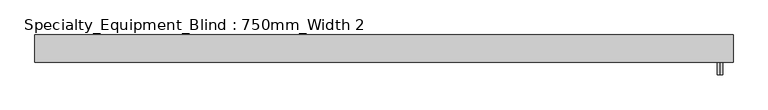
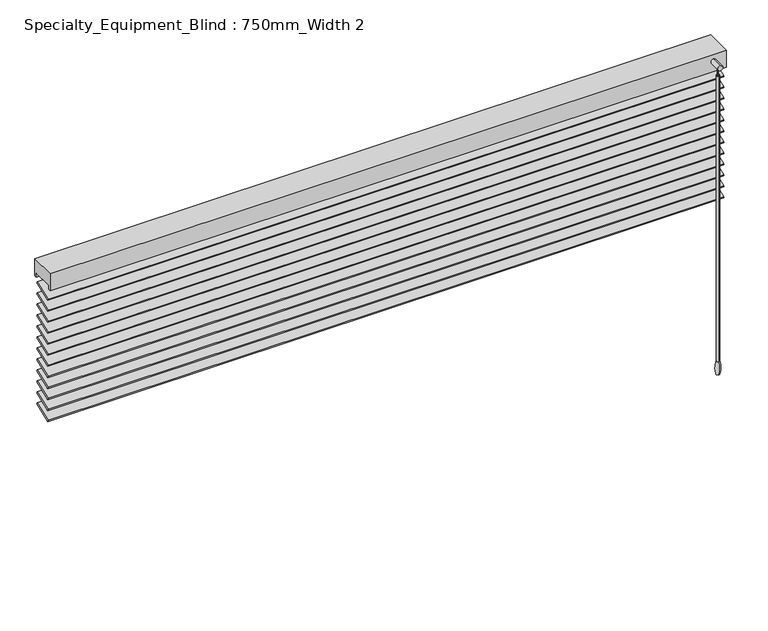
"""IFC4 building model written with IfcOpenShell, lengths in millimetres: proxy geometry, Specialty_Equipment_Blind : 750mm_Width 2."""

from ifc_helpers import new_model, si_unit, point, frame, frame_2d, origin, place, context, project, spatial, polyline, circle_curve, ellipse_curve, trimmed, segment, composite_curve, outline, extrude, source, transform, mapped, element, save
from ifc_brep_helpers import plane_surface, cylinder_surface, revolved_surface, advanced_brep


def specialty_equipment_blind_750mm_width_2_92f931f4(model_context):
    return source(origin(), model_context, "Body", "SolidModel", [
        extrude(outline(polyline([(0.0, -40.0), (0.0, 0.0), (1320.0, 0.0), (1320.0, -40.0), (0.0, -40.0)])), frame((-509.5079376, 65.0532351, 2041.2352891), z_axis=(0.0, -0.3420201433256684, 0.9396926207859085), x_axis=(1.0, 0.0, 0.0)), (0.0, 0.0, 1.0), 3.0625345),
        extrude(outline(polyline([(0.0, -40.0), (0.0, 0.0), (1320.0, 0.0), (1320.0, -40.0), (0.0, -40.0)])), frame((-509.5079376, 65.0532351, 2018.5080164), z_axis=(0.0, -0.3420201433256684, 0.9396926207859085), x_axis=(1.0, 0.0, 0.0)), (0.0, 0.0, 1.0), 3.0625345),
        extrude(outline(polyline([(0.0, -40.0), (0.0, 0.0), (1320.0, 0.0), (1320.0, -40.0), (0.0, -40.0)])), frame((-509.5079376, 65.0532351, 1995.7807436), z_axis=(0.0, -0.3420201433256684, 0.9396926207859085), x_axis=(1.0, 0.0, 0.0)), (0.0, 0.0, 1.0), 3.0625345),
        extrude(outline(polyline([(0.0, -40.0), (0.0, 0.0), (1320.0, 0.0), (1320.0, -40.0), (0.0, -40.0)])), frame((-509.5079376, 65.0532351, 1973.0534709), z_axis=(0.0, -0.3420201433256684, 0.9396926207859085), x_axis=(1.0, 0.0, 0.0)), (0.0, 0.0, 1.0), 3.0625345),
        extrude(outline(polyline([(0.0, -40.0), (0.0, 0.0), (1320.0, 0.0), (1320.0, -40.0), (0.0, -40.0)])), frame((-509.5079376, 65.0532351, 1950.3261982), z_axis=(0.0, -0.3420201433256684, 0.9396926207859085), x_axis=(1.0, 0.0, 0.0)), (0.0, 0.0, 1.0), 3.0625345),
        extrude(outline(polyline([(0.0, -40.0), (0.0, 0.0), (1320.0, 0.0), (1320.0, -40.0), (0.0, -40.0)])), frame((-509.5079376, 65.0532351, 1927.5989254), z_axis=(0.0, -0.3420201433256684, 0.9396926207859085), x_axis=(1.0, 0.0, 0.0)), (0.0, 0.0, 1.0), 3.0625345),
        extrude(outline(polyline([(0.0, -40.0), (0.0, 0.0), (1320.0, 0.0), (1320.0, -40.0), (0.0, -40.0)])), frame((-509.5079376, 65.0532351, 1904.8716527), z_axis=(0.0, -0.3420201433256684, 0.9396926207859085), x_axis=(1.0, 0.0, 0.0)), (0.0, 0.0, 1.0), 3.0625345),
        extrude(outline(polyline([(0.0, -40.0), (0.0, 0.0), (1320.0, 0.0), (1320.0, -40.0), (0.0, -40.0)])), frame((-509.5079376, 65.0532351, 1882.14438), z_axis=(0.0, -0.3420201433256684, 0.9396926207859085), x_axis=(1.0, 0.0, 0.0)), (0.0, 0.0, 1.0), 3.0625345),
        extrude(outline(polyline([(0.0, -40.0), (0.0, 0.0), (1320.0, 0.0), (1320.0, -40.0), (0.0, -40.0)])), frame((-509.5079376, 65.0532351, 1859.4171073), z_axis=(0.0, -0.3420201433256684, 0.9396926207859085), x_axis=(1.0, 0.0, 0.0)), (0.0, 0.0, 1.0), 3.0625345),
        extrude(outline(polyline([(0.0, -40.0), (0.0, 0.0), (1320.0, 0.0), (1320.0, -40.0), (0.0, -40.0)])), frame((-509.5079376, 65.0532351, 1836.6898345), z_axis=(0.0, -0.3420201433256684, 0.9396926207859085), x_axis=(1.0, 0.0, 0.0)), (0.0, 0.0, 1.0), 3.0625345),
        extrude(outline(polyline([(0.0, -40.0), (0.0, 0.0), (1320.0, 0.0), (1320.0, -40.0), (0.0, -40.0)])), frame((-509.5079376, 65.0532351, 2063.9625618), z_axis=(0.0, -0.3420201433256684, 0.9396926207859085), x_axis=(1.0, 0.0, 0.0)), (0.0, 0.0, 1.0), 3.0625345),
        extrude(outline(polyline([(0.0, -40.0), (0.0, 0.0), (1320.0, 0.0), (1320.0, -40.0), (0.0, -40.0)])), frame((-509.5079376, 65.0532351, 1813.9625618), z_axis=(0.0, -0.3420201433256684, 0.9396926207859085), x_axis=(1.0, 0.0, 0.0)), (0.0, 0.0, 1.0), 3.0625345),
        extrude(outline(polyline([(19.329714, 2110.0), (71.0941545, 2110.0), (71.0941545, 2075.0), (66.0941545, 2075.0), (66.0941545, 2083.2448883), (24.329714, 2083.2448883), (24.329714, 2075.0), (19.329714, 2075.0), (19.329714, 2110.0)])), frame((-509.5079376, 0.0, 0.0), z_axis=(1.0, 0.0, 0.0), x_axis=(0.0, 1.0, 0.0)), (0.0, 0.0, 1.0), 1320.0),
        extrude(outline(composite_curve([segment(trimmed(circle_curve(frame_2d((2095.9171213, 785.4920624)), 5.0), [point((2100.9171213, 785.4920624))], [point((2090.9171213, 785.4920624))], False, "CARTESIAN"), True, "CONTINUOUS"), segment(trimmed(circle_curve(frame_2d((2095.9171213, 785.4920624)), 5.0), [point((2090.9171213, 785.4920624))], [point((2100.9171213, 785.4920624))], False, "CARTESIAN"), True, "CONTINUOUS")], self_intersect=False)), frame((0.0, -4.4512463, 0.0), z_axis=(0.0, 1.0, 0.0), x_axis=(0.0, 0.0, 1.0)), (0.0, 0.0, 1.0), 23.7809602),
        advanced_brep(
        [(785.4920624, 4.7248495, 2091.3243671), (785.4920624, 2.7248495, 2091.3243671), (785.4920624, 3.7248495, 2091.3243671), (785.4920624, 4.7248495, 2076.3243671), (785.4920624, 2.7248495, 2076.3243671), (785.4920624, 6.7248495, 2076.3243671), (785.4920624, 0.7248495, 2076.3243671), (785.4920624, 6.7248495, 1486.909931), (785.4920624, 0.7248495, 1486.909931), (785.4920624, 7.2513368, 1460.0), (785.4920624, 0.1983622, 1460.0), (785.4920624, 3.7248495, 1460.0)],
        [
            (0, 1, circle_curve(frame((785.4920624, 3.7248495, 2091.3243671), z_axis=(0.0, 0.0, 1.0), x_axis=(0.0, -1.0, 0.0)), 1.0)),
            (1, 2),
            (2, 0),
            (1, 0, circle_curve(frame((785.4920624, 3.7248495, 2091.3243671), z_axis=(0.0, 0.0, 1.0), x_axis=(0.0, -1.0, 0.0)), 1.0)),
            (3, 4, circle_curve(frame((785.4920624, 3.7248495, 2076.3243671), z_axis=(0.0, 0.0, 1.0), x_axis=(0.0, -1.0, 0.0)), 1.0)),
            (4, 1),
            (0, 3),
            (4, 3, circle_curve(frame((785.4920624, 3.7248495, 2076.3243671), z_axis=(0.0, 0.0, 1.0), x_axis=(0.0, -1.0, 0.0)), 1.0)),
            (5, 6, circle_curve(frame((785.4920624, 3.7248495, 2076.3243671), z_axis=(0.0, 0.0, 1.0), x_axis=(0.0, -1.0, 0.0)), 3.0)),
            (6, 4),
            (3, 5),
            (6, 5, circle_curve(frame((785.4920624, 3.7248495, 2076.3243671), z_axis=(0.0, 0.0, 1.0), x_axis=(0.0, -1.0, 0.0)), 3.0)),
            (7, 8, circle_curve(frame((785.4920624, 3.7248495, 1486.909931), z_axis=(0.0, 0.0, 1.0), x_axis=(0.0, -1.0, 0.0)), 3.0)),
            (8, 6),
            (5, 7),
            (8, 7, circle_curve(frame((785.4920624, 3.7248495, 1486.909931), z_axis=(0.0, 0.0, 1.0), x_axis=(0.0, -1.0, 0.0)), 3.0)),
            (9, 10, circle_curve(frame((785.4920624, 3.7248495, 1460.0), z_axis=(0.0, 0.0, 1.0), x_axis=(0.0, -1.0, 0.0)), 3.5264873)),
            (10, 8, circle_curve(frame((785.4920624, 49.2720063, 1472.5), z_axis=(-1.0, 0.0, 0.0), x_axis=(0.0, 1.0, 0.0)), 50.6406214)),
            (7, 9, circle_curve(frame((785.4920624, -41.8223072, 1472.5), z_axis=(-1.0, 0.0, 0.0), x_axis=(0.0, -1.0, 0.0)), 50.6406214)),
            (10, 9, circle_curve(frame((785.4920624, 3.7248495, 1460.0), z_axis=(0.0, 0.0, 1.0), x_axis=(0.0, -1.0, 0.0)), 3.5264873)),
            (11, 10),
            (9, 11),
        ],
        [
            plane_surface(frame((785.4920624, 3.7248495, 2091.3243671), z_axis=(0.0, 0.0, 1.0), x_axis=(0.0, -1.0, 0.0))),
            cylinder_surface(frame((785.4920624, 3.7248495, 1191.3243671), z_axis=(0.0, 0.0, -1.0), x_axis=(0.0, -1.0, 0.0)), 1.0),
            plane_surface(frame((785.4920624, 3.7248495, 2076.3243671), z_axis=(0.0, 0.0, 1.0), x_axis=(0.0, -1.0, 0.0))),
            cylinder_surface(frame((785.4920624, 3.7248495, 1191.3243671), z_axis=(0.0, 0.0, -1.0), x_axis=(0.0, -1.0, 0.0)), 3.0),
            revolved_surface(trimmed(ellipse_curve(frame((785.4920624, 49.2720063, 1472.5), z_axis=(1.0, 0.0, 0.0), x_axis=(0.0, 1.0, 0.0)), 50.6406214, 50.6406214), [point((785.4920624, 0.7248495, 1486.909931))], [point((785.4920624, 0.1983622, 1460.0))], True, "CARTESIAN"), (785.4920624, 3.7248495, 1191.3243671), (0.0, 0.0, -1.0)),
            plane_surface(frame((785.4920624, 3.7248495, 1460.0), z_axis=(0.0, 0.0, -1.0), x_axis=(0.0, -1.0, 0.0))),
        ],
        [
            (0, [[1, 2, 3]]),
            (0, [[4, -3, -2]]),
            (1, [[5, 6, -1, 7]]),
            (1, [[8, -7, -4, -6]]),
            (2, [[9, 10, -5, 11]]),
            (2, [[12, -11, -8, -10]]),
            (3, [[13, 14, -9, 15]]),
            (3, [[16, -15, -12, -14]]),
            (4, [[17, 18, -13, 19]]),
            (4, [[20, -19, -16, -18]]),
            (5, [[21, -17, 22]]),
            (5, [[-22, -20, -21]]),
        ],
    ),
        extrude(outline(composite_curve([segment(trimmed(circle_curve(frame_2d((-289.5079376, 45.2119342)), 0.5), [point((-290.0079376, 45.2119342))], [point((-289.0079376, 45.2119342))], False, "CARTESIAN"), True, "CONTINUOUS"), segment(trimmed(circle_curve(frame_2d((-289.5079376, 45.2119342)), 0.5), [point((-289.0079376, 45.2119342))], [point((-290.0079376, 45.2119342))], False, "CARTESIAN"), True, "CONTINUOUS")], self_intersect=False)), frame((0.0, 0.0, 1810.0), z_axis=(0.0, 0.0, 1.0), x_axis=(1.0, 0.0, 0.0)), (0.0, 0.0, 1.0), 273.2448883),
        extrude(outline(composite_curve([segment(trimmed(circle_curve(frame_2d((590.4920624, 45.2119342)), 0.5), [point((589.9920624, 45.2119342))], [point((590.9920624, 45.2119342))], False, "CARTESIAN"), True, "CONTINUOUS"), segment(trimmed(circle_curve(frame_2d((590.4920624, 45.2119342)), 0.5), [point((590.9920624, 45.2119342))], [point((589.9920624, 45.2119342))], False, "CARTESIAN"), True, "CONTINUOUS")], self_intersect=False)), frame((0.0, 0.0, 1810.0), z_axis=(0.0, 0.0, 1.0), x_axis=(1.0, 0.0, 0.0)), (0.0, 0.0, 1.0), 273.2448883),
    ])


if __name__ == "__main__":
    model = new_model("IFC4")
    model_context = context("Model", 3, world=origin())
    ifc_project = project(units=[si_unit("LENGTHUNIT", "METRE", prefix="MILLI")], contexts=[model_context])
    site = spatial("IfcSite", under=ifc_project)
    building = spatial("IfcBuilding", under=site)
    placement = place(None, origin())
    specialty_equipment_blind_750mm_width_2_shape = specialty_equipment_blind_750mm_width_2_92f931f4(model_context)
    element("IfcBuildingElementProxy", 1, Name="Specialty_Equipment_Blind : 750mm_Width 2", ObjectType="Specialty_Equipment_Blind : 750mm_Width 2", at=placement, inside=building, context=model_context, shape_type="MappedRepresentation", body=[
        mapped(specialty_equipment_blind_750mm_width_2_shape, transform((0.0, 0.0, 0.0), x_axis=(1.0, 0.0, 0.0), y_axis=(0.0, 1.0, 0.0), z_axis=(0.0, 0.0, 1.0))),
    ])
    save(model, "model.ifc")
